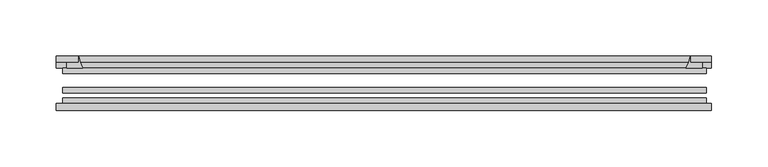
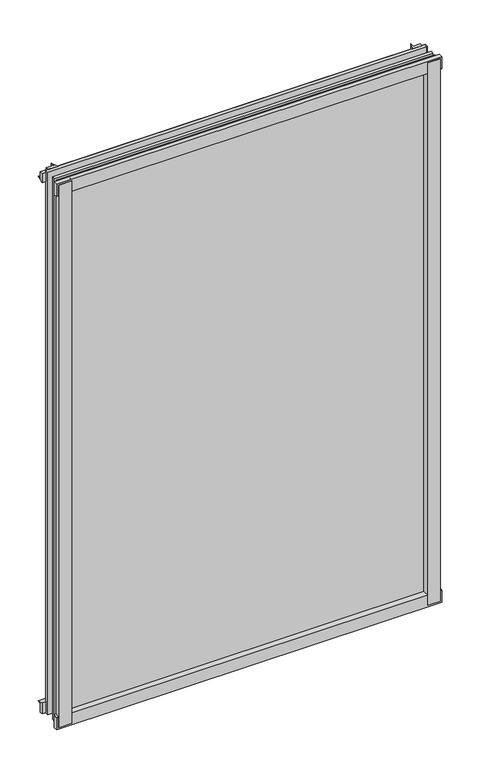
"""IFC4 building model written with IfcOpenShell, lengths in millimetres: plate geometry."""

from ifc_helpers import new_model, si_unit, point, frame, frame_2d, origin, place, context, project, spatial, polyline, circle_curve, trimmed, segment, composite_curve, outline, extrude, source, transform, mapped, element, save


def plate_4ae76319(model_context):
    return source(origin(), model_context, "Body", "SweptSolid", [
        extrude(outline(composite_curve([segment(polyline([(-289.9171875, -78.7828625), (-268.4959862, -78.7828625)]), True, "CONTINUOUS"), segment(trimmed(circle_curve(frame_2d((-260.8588206, -84.652782)), 9.6323545), [point((-268.4959862, -78.7828625))], [point((-270.479204, -85.1328625))], True, "CARTESIAN"), True, "CONTINUOUS"), segment(polyline([(-270.479204, -85.1328625), (-289.9171875, -85.1328625), (-289.9171875, -78.7828625)]), True, "CONTINUOUS")], self_intersect=False)), frame((0.0, 0.0, -14.2875), z_axis=(0.0, 0.0, 1.0), x_axis=(1.0, 0.0, 0.0)), (0.0, 0.0, 1.0), 869.95),
        extrude(outline(composite_curve([segment(polyline([(289.9194065, -78.7828625), (289.9194065, -85.1328625), (270.4395165, -85.1328625)]), True, "CONTINUOUS"), segment(trimmed(circle_curve(frame_2d((260.8191331, -84.652782)), 9.6323545), [point((270.4395165, -85.1328625))], [point((268.4562987, -78.7828625))], True, "CARTESIAN"), True, "CONTINUOUS"), segment(polyline([(268.4562987, -78.7828625), (289.9194065, -78.7828625)]), True, "CONTINUOUS")], self_intersect=False)), frame((0.0, 0.0, -14.2875), z_axis=(0.0, 0.0, 1.0), x_axis=(1.0, 0.0, 0.0)), (0.0, 0.0, 1.0), 869.95),
        extrude(outline(composite_curve([segment(polyline([(-47.1852625, -14.2875), (-47.1852625, 3.9588469)]), True, "CONTINUOUS"), segment(trimmed(circle_curve(frame_2d((-30.6824422, 32.267054)), 32.7673262), [point((-47.1852625, 3.9588469))], [point((-36.3503395, -0.00635))], True, "CARTESIAN"), True, "CONTINUOUS"), segment(polyline([(-36.3503395, -0.00635), (-42.2830625, -0.00635), (-42.2830625, -14.2875), (-47.1852625, -14.2875)]), True, "CONTINUOUS")], self_intersect=False)), frame((-293.0921875, 0.0, 0.0), z_axis=(1.0, 0.0, 0.0), x_axis=(0.0, 1.0, 0.0)), (0.0, 0.0, 1.0), 584.99375),
        extrude(outline(composite_curve([segment(polyline([(-78.7828625, -16.8821065), (-85.1328625, -16.8821065), (-85.1328625, 2.5977835)]), True, "CONTINUOUS"), segment(trimmed(circle_curve(frame_2d((-84.652782, 12.2181669)), 9.6323545), [point((-85.1328625, 2.5977835))], [point((-78.7828625, 4.5810013))], True, "CARTESIAN"), True, "CONTINUOUS"), segment(polyline([(-78.7828625, 4.5810013), (-78.7828625, -16.8821065)]), True, "CONTINUOUS")], self_intersect=False)), frame((-293.0921875, 0.0, 0.0), z_axis=(1.0, 0.0, 0.0), x_axis=(0.0, 1.0, 0.0)), (0.0, 0.0, 1.0), 584.99375),
        extrude(outline(composite_curve([segment(polyline([(-47.1852625, 837.4034531), (-47.1852625, 852.0752564), (-42.2830625, 852.0752564), (-42.2830625, 841.375), (-36.3140625, 841.375)]), True, "CONTINUOUS"), segment(trimmed(circle_curve(frame_2d((-30.6824422, 809.095246)), 32.7673262), [point((-36.3140625, 841.375))], [point((-47.1852625, 837.4034531))], True, "CARTESIAN"), True, "CONTINUOUS")], self_intersect=False)), frame((-293.0921875, 0.0, 0.0), z_axis=(1.0, 0.0, 0.0), x_axis=(0.0, 1.0, 0.0)), (0.0, 0.0, 1.0), 584.99375),
        extrude(outline(composite_curve([segment(polyline([(-78.7828625, 858.2444065), (-78.7828625, 836.7812987)]), True, "CONTINUOUS"), segment(trimmed(circle_curve(frame_2d((-84.652782, 829.1441331)), 9.6323545), [point((-78.7828625, 836.7812987))], [point((-85.1328625, 838.7645165))], True, "CARTESIAN"), True, "CONTINUOUS"), segment(polyline([(-85.1328625, 838.7645165), (-85.1328625, 858.2444065), (-78.7828625, 858.2444065)]), True, "CONTINUOUS")], self_intersect=False)), frame((-293.0921875, 0.0, 0.0), z_axis=(1.0, 0.0, 0.0), x_axis=(0.0, 1.0, 0.0)), (0.0, 0.0, 1.0), 584.99375),
        extrude(outline(composite_curve([segment(trimmed(circle_curve(frame_2d((240.770246, -30.6824422)), 32.7673262), [point((269.0784531, -47.1852625))], [point((273.05, -36.3140625))], True, "CARTESIAN"), True, "CONTINUOUS"), segment(polyline([(273.05, -36.3140625), (273.05, -42.2830625), (283.7503653, -42.2830625), (283.7503653, -47.1852625), (269.0784531, -47.1852625)]), True, "CONTINUOUS")], self_intersect=False)), frame((0.0, 0.0, -14.2875), z_axis=(0.0, 0.0, 1.0), x_axis=(1.0, 0.0, 0.0)), (0.0, 0.0, 1.0), 869.95),
        extrude(outline(composite_curve([segment(polyline([(-269.0784531, -47.1852625), (-283.7452092, -47.1852625), (-283.7452092, -42.2830625), (-273.05, -42.2830625), (-273.05, -36.3140625)]), True, "CONTINUOUS"), segment(trimmed(circle_curve(frame_2d((-240.770246, -30.6824422)), 32.7673262), [point((-273.05, -36.3140625))], [point((-269.0784531, -47.1852625))], True, "CARTESIAN"), True, "CONTINUOUS")], self_intersect=False)), frame((0.0, 0.0, -14.2875), z_axis=(0.0, 0.0, 1.0), x_axis=(1.0, 0.0, 0.0)), (0.0, 0.0, 1.0), 869.95),
        extrude(outline(polyline([(287.3375, -64.6604625), (287.3375, -69.4356625), (-287.3375, -69.4356625), (-287.3375, -64.6604625), (287.3375, -64.6604625)])), frame((0.0, 0.0, -14.2875), z_axis=(0.0, 0.0, 1.0), x_axis=(1.0, 0.0, 0.0)), (0.0, 0.0, 1.0), 869.95),
        extrude(outline(polyline([(-287.3375, -78.7828625), (-287.3375, -74.0076625), (287.3375, -74.0076625), (287.3375, -78.7828625), (-287.3375, -78.7828625)])), frame((0.0, 0.0, -14.2875), z_axis=(0.0, 0.0, 1.0), x_axis=(1.0, 0.0, 0.0)), (0.0, 0.0, 1.0), 869.95),
        extrude(outline(polyline([(-287.3375, -47.1852625), (287.3375, -47.1852625), (287.3375, -51.9604625), (-287.3375, -51.9604625), (-287.3375, -47.1852625)])), frame((0.0, 0.0, -14.2875), z_axis=(0.0, 0.0, 1.0), x_axis=(1.0, 0.0, 0.0)), (0.0, 0.0, 1.0), 869.95),
    ])


if __name__ == "__main__":
    model = new_model("IFC4")
    model_context = context("Model", 3, world=origin())
    ifc_project = project(units=[si_unit("LENGTHUNIT", "METRE", prefix="MILLI")], contexts=[model_context])
    site = spatial("IfcSite", under=ifc_project)
    building = spatial("IfcBuilding", under=site)
    placement = place(None, origin())
    plate_shape = plate_4ae76319(model_context)
    element("IfcPlate", 1, at=placement, inside=building, context=model_context, shape_type="MappedRepresentation", body=[
        mapped(plate_shape, transform((0.0, 0.0, 0.0), x_axis=(1.0, 0.0, 0.0), y_axis=(0.0, 1.0, 0.0), z_axis=(0.0, 0.0, 1.0))),
    ])
    save(model, "model.ifc")
